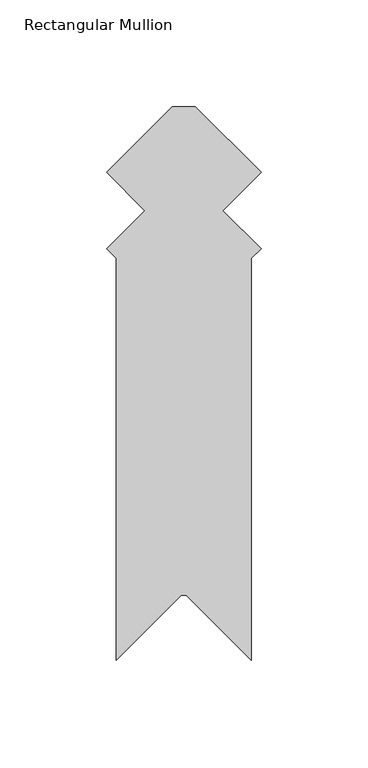
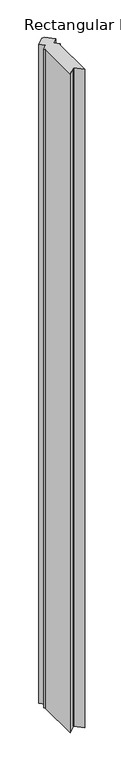
"""IFC4 building model written with IfcOpenShell, lengths in millimetres: member geometry, Rectangular Mullion."""

from ifc_helpers import new_model, si_unit, frame, origin, place, context, project, spatial, polyline, outline, extrude, source, transform, mapped, element, save


def rectangular_mullion_1417bbeb(model_context):
    return source(origin(), model_context, "Body", "SweptSolid", [
        extrude(outline(polyline([(-37.4478793, -229.2815008), (-67.9901297, -259.8237511), (-67.9901297, -71.238364), (-72.4802534, -66.7482402), (-54.5197455, -48.7877323), (-72.4802576, -30.8272202), (-41.6530374, 0.0), (-30.8272216, 0.0), (0.0, -30.8272216), (-17.9605122, -48.7877339), (-5.9e-06, -66.7482402), (-4.4901297, -71.238364), (-4.4901297, -259.8237509), (-35.0323798, -229.2815008), (-37.4478793, -229.2815008)])), frame((0.0, 0.0, -3048.0), z_axis=(0.0, 0.0, 1.0), x_axis=(1.0, 0.0, 0.0)), (0.0, 0.0, 1.0), 3048.0),
    ])


if __name__ == "__main__":
    model = new_model("IFC4")
    model_context = context("Model", 3, world=origin())
    ifc_project = project(units=[si_unit("LENGTHUNIT", "METRE", prefix="MILLI")], contexts=[model_context])
    site = spatial("IfcSite", under=ifc_project)
    building = spatial("IfcBuilding", under=site)
    placement = place(None, origin())
    rectangular_mullion_shape = rectangular_mullion_1417bbeb(model_context)
    element("IfcMember", 1, ObjectType="Rectangular Mullion", at=placement, inside=building, context=model_context, shape_type="MappedRepresentation", body=[
        mapped(rectangular_mullion_shape, transform((0.0, 0.0, 0.0), x_axis=(1.0, 0.0, 0.0), y_axis=(0.0, 1.0, 0.0), z_axis=(0.0, 0.0, 1.0))),
    ])
    save(model, "model.ifc")
